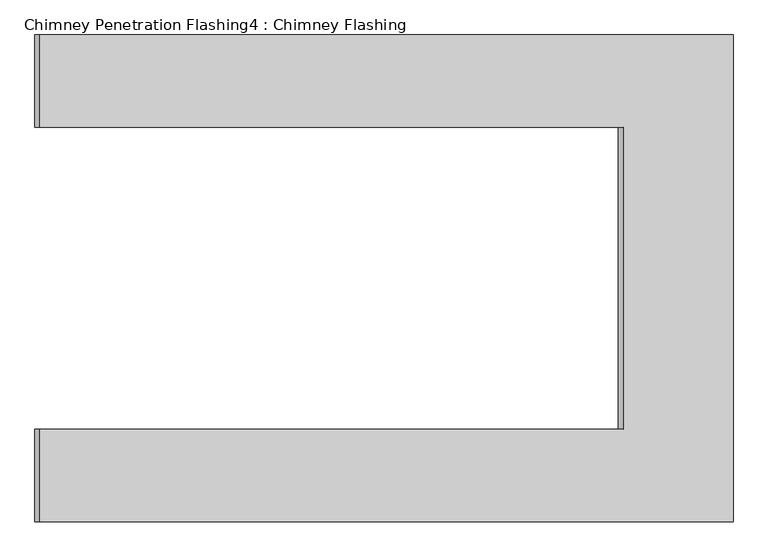
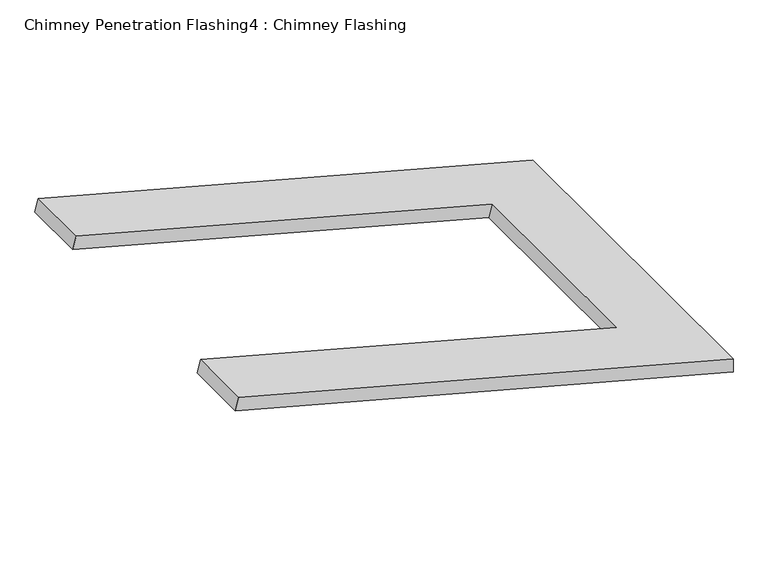
"""IFC4 building model written with IfcOpenShell, lengths in millimetres: proxy geometry, Chimney Penetration Flashing4 : Chimney Flashing."""

from ifc_helpers import new_model, si_unit, origin, place, context, project, spatial, faceted_brep, source, transform, mapped, element, save


def chimney_penetration_flashing4_chimney_flashing_ae1c736c(model_context):
    return source(origin(), model_context, "Body", "Brep", [
        faceted_brep([(11071.0325254, -12056.559391, 9576.3272044), (11071.0325254, -12056.559391, 9615.1260589), (9693.4395178, -12056.559391, 9984.2509927), (9683.7492993, -12056.559391, 9948.0486245), (11071.0325254, -11089.2324935, 9576.3272044), (9683.7492993, -11089.2324935, 9948.0486245), (9693.4395178, -11089.2324935, 9984.2509927), (11071.0325254, -11089.2324935, 9615.1260589), (9693.4395178, -11272.8959422, 9984.2509927), (10852.550479, -11272.8959422, 9673.6681468), (10852.550479, -11872.8959422, 9673.6681468), (9693.4395178, -11872.8959422, 9984.2509927), (9683.7492993, -11872.8959422, 9948.0486245), (9683.7492993, -11272.8959422, 9948.0486245), (10842.8507654, -11872.8959422, 9637.4683227), (10842.8507654, -11272.8959422, 9637.4683227)], [[[0, 1, 2, 3]], [[4, 5, 6, 7]], [[1, 0, 4, 7]], [[2, 1, 7, 6, 8, 9, 10, 11]], [[3, 2, 11, 12]], [[6, 5, 13, 8]], [[0, 3, 12, 14, 15, 13, 5, 4]], [[15, 9, 8, 13]], [[9, 15, 14, 10]], [[10, 14, 12, 11]]]),
    ])


if __name__ == "__main__":
    model = new_model("IFC4")
    model_context = context("Model", 3, world=origin())
    ifc_project = project(units=[si_unit("LENGTHUNIT", "METRE", prefix="MILLI")], contexts=[model_context])
    site = spatial("IfcSite", under=ifc_project)
    building = spatial("IfcBuilding", under=site)
    placement = place(None, origin())
    chimney_penetration_flashing4_chimney_flashing_shape = chimney_penetration_flashing4_chimney_flashing_ae1c736c(model_context)
    element("IfcBuildingElementProxy", 1, Name="Chimney Penetration Flashing4 : Chimney Flashing", ObjectType="Chimney Penetration Flashing4 : Chimney Flashing", at=placement, inside=building, context=model_context, shape_type="MappedRepresentation", body=[
        mapped(chimney_penetration_flashing4_chimney_flashing_shape, transform((0.0, 0.0, 0.0), x_axis=(1.0, 0.0, 0.0), y_axis=(0.0, 1.0, 0.0), z_axis=(0.0, 0.0, 1.0))),
    ])
    save(model, "model.ifc")
